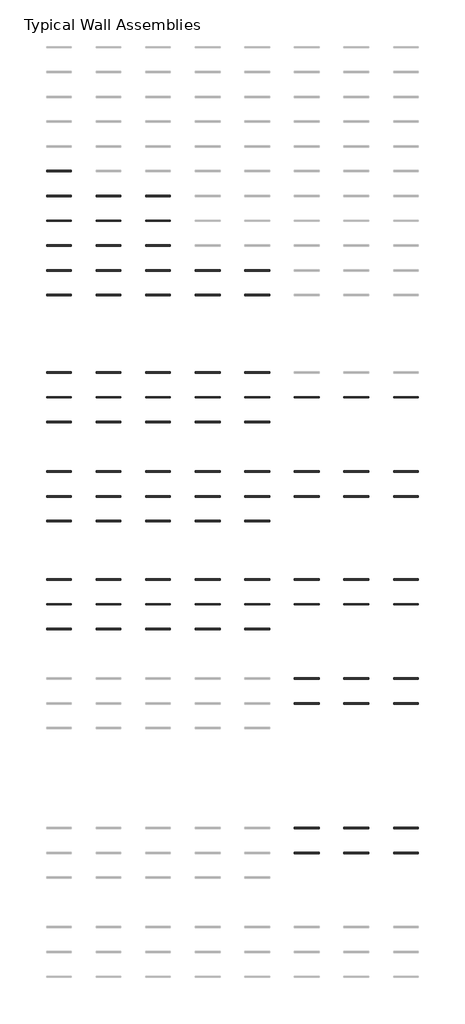
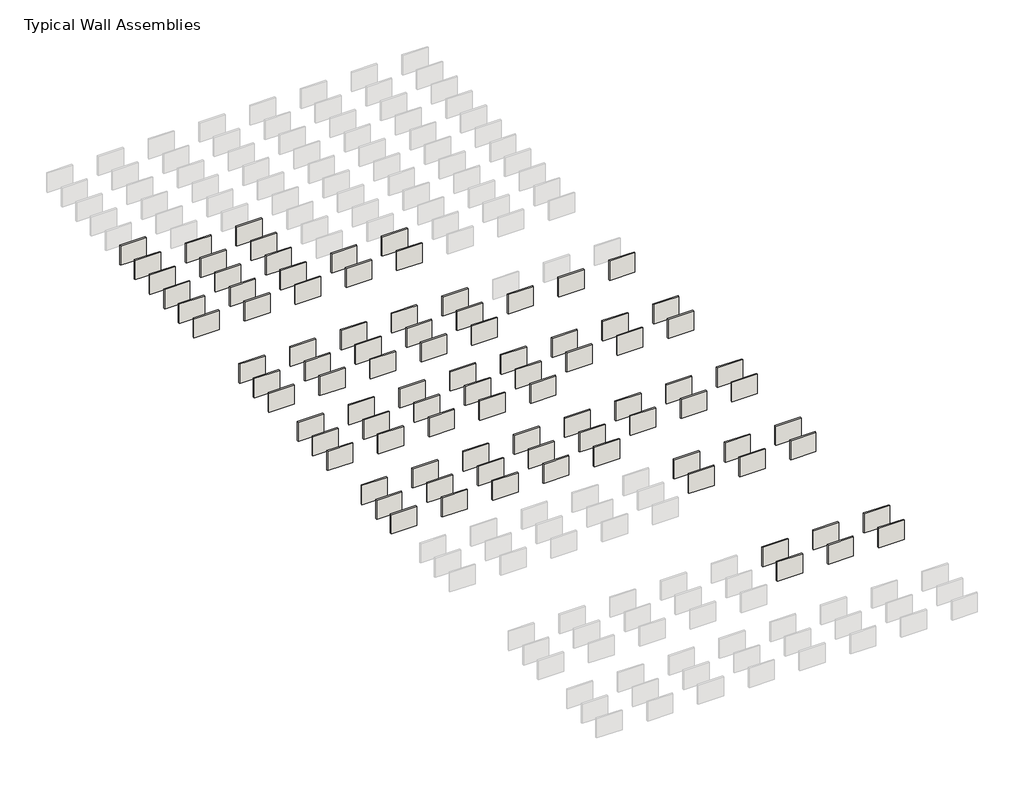
# One storey, part 6 of 8: 92 walls.
"""IFC4 building model written with IfcOpenShell, lengths in millimetres."""

from ifc_helpers import new_model, si_unit, frame, origin, place, context, project, spatial, polyline, outline, extrude, element, save

model = new_model("IFC4")

# Units and contexts
model_context = context("Model", 3, world=origin())
ifc_project = project(units=[si_unit("LENGTHUNIT", "METRE", prefix="MILLI")], contexts=[model_context])

# Site, building, storey
site = spatial("IfcSite", under=ifc_project)
building = spatial("IfcBuilding", under=site)
storey = spatial("IfcBuildingStorey", under=building, Name="Typical Wall Assemblies", Elevation=6096.0)

# Walls
placement = place(None, origin())
element("IfcWall", 1, at=placement, inside=storey, context=model_context, shape_type="SweptSolid", body=[
    extrude(outline(polyline([(3356.874931, -62733.9091546), (308.874931, -62733.9091546), (308.874931, -62556.1218505), (3356.874931, -62556.1218505), (3356.874931, -62733.9091546)])), frame((0.0, 0.0, 6096.0), z_axis=(0.0, 0.0, 1.0), x_axis=(1.0, 0.0, 0.0)), (0.0, 0.0, 1.0), 2438.4),
])
element("IfcWall", 2, at=placement, inside=storey, context=model_context, shape_type="SweptSolid", body=[
    extrude(outline(polyline([(9452.874931, -62733.9091546), (6404.874931, -62733.9091546), (6404.874931, -62556.1218505), (9452.874931, -62556.1218505), (9452.874931, -62733.9091546)])), frame((0.0, 0.0, 6096.0), z_axis=(0.0, 0.0, 1.0), x_axis=(1.0, 0.0, 0.0)), (0.0, 0.0, 1.0), 2438.4),
])
element("IfcWall", 3, at=placement, inside=storey, context=model_context, shape_type="SweptSolid", body=[
    extrude(outline(polyline([(15548.874931, -62733.9091546), (12500.874931, -62733.9091546), (12500.874931, -62556.1218505), (15548.874931, -62556.1218505), (15548.874931, -62733.9091546)])), frame((0.0, 0.0, 6096.0), z_axis=(0.0, 0.0, 1.0), x_axis=(1.0, 0.0, 0.0)), (0.0, 0.0, 1.0), 2438.4),
])
element("IfcWall", 4, at=placement, inside=storey, context=model_context, shape_type="SweptSolid", body=[
    extrude(outline(polyline([(21644.874931, -62733.9091546), (18596.874931, -62733.9091546), (18596.874931, -62556.1218505), (21644.874931, -62556.1218505), (21644.874931, -62733.9091546)])), frame((0.0, 0.0, 6096.0), z_axis=(0.0, 0.0, 1.0), x_axis=(1.0, 0.0, 0.0)), (0.0, 0.0, 1.0), 2438.4),
])
element("IfcWall", 5, at=placement, inside=storey, context=model_context, shape_type="SweptSolid", body=[
    extrude(outline(polyline([(27740.874931, -62733.9091546), (24692.874931, -62733.9091546), (24692.874931, -62556.1218505), (27740.874931, -62556.1218505), (27740.874931, -62733.9091546)])), frame((0.0, 0.0, 6096.0), z_axis=(0.0, 0.0, 1.0), x_axis=(1.0, 0.0, 0.0)), (0.0, 0.0, 1.0), 2438.4),
])
element("IfcWall", 6, at=placement, inside=storey, context=model_context, shape_type="SweptSolid", body=[
    extrude(outline(polyline([(3356.874931, -65781.9091546), (308.874931, -65781.9091546), (308.874931, -65604.1218505), (3356.874931, -65604.1218505), (3356.874931, -65781.9091546)])), frame((0.0, 0.0, 6096.0), z_axis=(0.0, 0.0, 1.0), x_axis=(1.0, 0.0, 0.0)), (0.0, 0.0, 1.0), 2438.4),
])
element("IfcWall", 7, at=placement, inside=storey, context=model_context, shape_type="SweptSolid", body=[
    extrude(outline(polyline([(9452.874931, -65781.9091546), (6404.874931, -65781.9091546), (6404.874931, -65604.1218505), (9452.874931, -65604.1218505), (9452.874931, -65781.9091546)])), frame((0.0, 0.0, 6096.0), z_axis=(0.0, 0.0, 1.0), x_axis=(1.0, 0.0, 0.0)), (0.0, 0.0, 1.0), 2438.4),
])
element("IfcWall", 8, at=placement, inside=storey, context=model_context, shape_type="SweptSolid", body=[
    extrude(outline(polyline([(15548.874931, -65781.9091546), (12500.874931, -65781.9091546), (12500.874931, -65604.1218505), (15548.874931, -65604.1218505), (15548.874931, -65781.9091546)])), frame((0.0, 0.0, 6096.0), z_axis=(0.0, 0.0, 1.0), x_axis=(1.0, 0.0, 0.0)), (0.0, 0.0, 1.0), 2438.4),
])
element("IfcWall", 9, at=placement, inside=storey, context=model_context, shape_type="SweptSolid", body=[
    extrude(outline(polyline([(21644.874931, -65781.9091546), (18596.874931, -65781.9091546), (18596.874931, -65604.1218505), (21644.874931, -65604.1218505), (21644.874931, -65781.9091546)])), frame((0.0, 0.0, 6096.0), z_axis=(0.0, 0.0, 1.0), x_axis=(1.0, 0.0, 0.0)), (0.0, 0.0, 1.0), 2438.4),
])
element("IfcWall", 10, at=placement, inside=storey, context=model_context, shape_type="SweptSolid", body=[
    extrude(outline(polyline([(27740.874931, -65781.9091546), (24692.874931, -65781.9091546), (24692.874931, -65604.1218505), (27740.874931, -65604.1218505), (27740.874931, -65781.9091546)])), frame((0.0, 0.0, 6096.0), z_axis=(0.0, 0.0, 1.0), x_axis=(1.0, 0.0, 0.0)), (0.0, 0.0, 1.0), 2438.4),
])
element("IfcWall", 11, at=placement, inside=storey, context=model_context, shape_type="SweptSolid", body=[
    extrude(outline(polyline([(33836.874931, -65781.9091546), (30788.874931, -65781.9091546), (30788.874931, -65604.1218505), (33836.874931, -65604.1218505), (33836.874931, -65781.9091546)])), frame((0.0, 0.0, 6096.0), z_axis=(0.0, 0.0, 1.0), x_axis=(1.0, 0.0, 0.0)), (0.0, 0.0, 1.0), 2438.4),
])
element("IfcWall", 12, at=placement, inside=storey, context=model_context, shape_type="SweptSolid", body=[
    extrude(outline(polyline([(39932.874931, -65781.9091546), (36884.874931, -65781.9091546), (36884.874931, -65604.1218505), (39932.874931, -65604.1218505), (39932.874931, -65781.9091546)])), frame((0.0, 0.0, 6096.0), z_axis=(0.0, 0.0, 1.0), x_axis=(1.0, 0.0, 0.0)), (0.0, 0.0, 1.0), 2438.4),
])
element("IfcWall", 13, at=placement, inside=storey, context=model_context, shape_type="SweptSolid", body=[
    extrude(outline(polyline([(46028.874931, -65781.9091546), (42980.874931, -65781.9091546), (42980.874931, -65604.1218505), (46028.874931, -65604.1218505), (46028.874931, -65781.9091546)])), frame((0.0, 0.0, 6096.0), z_axis=(0.0, 0.0, 1.0), x_axis=(1.0, 0.0, 0.0)), (0.0, 0.0, 1.0), 2438.4),
])
element("IfcWall", 14, at=placement, inside=storey, context=model_context, shape_type="SweptSolid", body=[
    extrude(outline(polyline([(3356.874931, -68829.9091546), (308.874931, -68829.9091546), (308.874931, -68652.1218505), (3356.874931, -68652.1218505), (3356.874931, -68829.9091546)])), frame((0.0, 0.0, 6096.0), z_axis=(0.0, 0.0, 1.0), x_axis=(1.0, 0.0, 0.0)), (0.0, 0.0, 1.0), 2438.4),
])
element("IfcWall", 15, at=placement, inside=storey, context=model_context, shape_type="SweptSolid", body=[
    extrude(outline(polyline([(9452.874931, -68829.9091546), (6404.874931, -68829.9091546), (6404.874931, -68652.1218505), (9452.874931, -68652.1218505), (9452.874931, -68829.9091546)])), frame((0.0, 0.0, 6096.0), z_axis=(0.0, 0.0, 1.0), x_axis=(1.0, 0.0, 0.0)), (0.0, 0.0, 1.0), 2438.4),
])
element("IfcWall", 16, at=placement, inside=storey, context=model_context, shape_type="SweptSolid", body=[
    extrude(outline(polyline([(15548.874931, -68829.9091546), (12500.874931, -68829.9091546), (12500.874931, -68652.1218505), (15548.874931, -68652.1218505), (15548.874931, -68829.9091546)])), frame((0.0, 0.0, 6096.0), z_axis=(0.0, 0.0, 1.0), x_axis=(1.0, 0.0, 0.0)), (0.0, 0.0, 1.0), 2438.4),
])
element("IfcWall", 17, at=placement, inside=storey, context=model_context, shape_type="SweptSolid", body=[
    extrude(outline(polyline([(21644.874931, -68829.9091546), (18596.874931, -68829.9091546), (18596.874931, -68652.1218505), (21644.874931, -68652.1218505), (21644.874931, -68829.9091546)])), frame((0.0, 0.0, 6096.0), z_axis=(0.0, 0.0, 1.0), x_axis=(1.0, 0.0, 0.0)), (0.0, 0.0, 1.0), 2438.4),
])
element("IfcWall", 18, at=placement, inside=storey, context=model_context, shape_type="SweptSolid", body=[
    extrude(outline(polyline([(27740.874931, -68829.9091546), (24692.874931, -68829.9091546), (24692.874931, -68652.1218505), (27740.874931, -68652.1218505), (27740.874931, -68829.9091546)])), frame((0.0, 0.0, 6096.0), z_axis=(0.0, 0.0, 1.0), x_axis=(1.0, 0.0, 0.0)), (0.0, 0.0, 1.0), 2438.4),
])
element("IfcWall", 19, at=placement, inside=storey, context=model_context, shape_type="SweptSolid", body=[
    extrude(outline(polyline([(3356.874931, -74925.9091546), (308.874931, -74925.9091546), (308.874931, -74748.1218505), (3356.874931, -74748.1218505), (3356.874931, -74925.9091546)])), frame((0.0, 0.0, 6096.0), z_axis=(0.0, 0.0, 1.0), x_axis=(1.0, 0.0, 0.0)), (0.0, 0.0, 1.0), 2438.4),
])
element("IfcWall", 20, at=placement, inside=storey, context=model_context, shape_type="SweptSolid", body=[
    extrude(outline(polyline([(9452.874931, -74925.9091546), (6404.874931, -74925.9091546), (6404.874931, -74748.1218505), (9452.874931, -74748.1218505), (9452.874931, -74925.9091546)])), frame((0.0, 0.0, 6096.0), z_axis=(0.0, 0.0, 1.0), x_axis=(1.0, 0.0, 0.0)), (0.0, 0.0, 1.0), 2438.4),
])
element("IfcWall", 21, at=placement, inside=storey, context=model_context, shape_type="SweptSolid", body=[
    extrude(outline(polyline([(15548.874931, -74925.9091546), (12500.874931, -74925.9091546), (12500.874931, -74748.1218505), (15548.874931, -74748.1218505), (15548.874931, -74925.9091546)])), frame((0.0, 0.0, 6096.0), z_axis=(0.0, 0.0, 1.0), x_axis=(1.0, 0.0, 0.0)), (0.0, 0.0, 1.0), 2438.4),
])
element("IfcWall", 22, at=placement, inside=storey, context=model_context, shape_type="SweptSolid", body=[
    extrude(outline(polyline([(21644.874931, -74925.9091546), (18596.874931, -74925.9091546), (18596.874931, -74748.1218505), (21644.874931, -74748.1218505), (21644.874931, -74925.9091546)])), frame((0.0, 0.0, 6096.0), z_axis=(0.0, 0.0, 1.0), x_axis=(1.0, 0.0, 0.0)), (0.0, 0.0, 1.0), 2438.4),
])
element("IfcWall", 23, at=placement, inside=storey, context=model_context, shape_type="SweptSolid", body=[
    extrude(outline(polyline([(27740.874931, -74925.9091546), (24692.874931, -74925.9091546), (24692.874931, -74748.1218505), (27740.874931, -74748.1218505), (27740.874931, -74925.9091546)])), frame((0.0, 0.0, 6096.0), z_axis=(0.0, 0.0, 1.0), x_axis=(1.0, 0.0, 0.0)), (0.0, 0.0, 1.0), 2438.4),
])
element("IfcWall", 24, at=placement, inside=storey, context=model_context, shape_type="SweptSolid", body=[
    extrude(outline(polyline([(33836.874931, -74925.9091546), (30788.874931, -74925.9091546), (30788.874931, -74748.1218505), (33836.874931, -74748.1218505), (33836.874931, -74925.9091546)])), frame((0.0, 0.0, 6096.0), z_axis=(0.0, 0.0, 1.0), x_axis=(1.0, 0.0, 0.0)), (0.0, 0.0, 1.0), 2438.4),
])
element("IfcWall", 25, at=placement, inside=storey, context=model_context, shape_type="SweptSolid", body=[
    extrude(outline(polyline([(39932.874931, -74925.9091546), (36884.874931, -74925.9091546), (36884.874931, -74748.1218505), (39932.874931, -74748.1218505), (39932.874931, -74925.9091546)])), frame((0.0, 0.0, 6096.0), z_axis=(0.0, 0.0, 1.0), x_axis=(1.0, 0.0, 0.0)), (0.0, 0.0, 1.0), 2438.4),
])
element("IfcWall", 26, at=placement, inside=storey, context=model_context, shape_type="SweptSolid", body=[
    extrude(outline(polyline([(46028.874931, -74925.9091546), (42980.874931, -74925.9091546), (42980.874931, -74748.1218505), (46028.874931, -74748.1218505), (46028.874931, -74925.9091546)])), frame((0.0, 0.0, 6096.0), z_axis=(0.0, 0.0, 1.0), x_axis=(1.0, 0.0, 0.0)), (0.0, 0.0, 1.0), 2438.4),
])
element("IfcWall", 27, at=placement, inside=storey, context=model_context, shape_type="SweptSolid", body=[
    extrude(outline(polyline([(3356.874931, -77973.9091546), (308.874931, -77973.9091546), (308.874931, -77796.1218505), (3356.874931, -77796.1218505), (3356.874931, -77973.9091546)])), frame((0.0, 0.0, 6096.0), z_axis=(0.0, 0.0, 1.0), x_axis=(1.0, 0.0, 0.0)), (0.0, 0.0, 1.0), 2438.4),
])
element("IfcWall", 28, at=placement, inside=storey, context=model_context, shape_type="SweptSolid", body=[
    extrude(outline(polyline([(9452.874931, -77973.9091546), (6404.874931, -77973.9091546), (6404.874931, -77796.1218505), (9452.874931, -77796.1218505), (9452.874931, -77973.9091546)])), frame((0.0, 0.0, 6096.0), z_axis=(0.0, 0.0, 1.0), x_axis=(1.0, 0.0, 0.0)), (0.0, 0.0, 1.0), 2438.4),
])
element("IfcWall", 29, at=placement, inside=storey, context=model_context, shape_type="SweptSolid", body=[
    extrude(outline(polyline([(15548.874931, -77973.9091546), (12500.874931, -77973.9091546), (12500.874931, -77796.1218505), (15548.874931, -77796.1218505), (15548.874931, -77973.9091546)])), frame((0.0, 0.0, 6096.0), z_axis=(0.0, 0.0, 1.0), x_axis=(1.0, 0.0, 0.0)), (0.0, 0.0, 1.0), 2438.4),
])
element("IfcWall", 30, at=placement, inside=storey, context=model_context, shape_type="SweptSolid", body=[
    extrude(outline(polyline([(21644.874931, -77973.9091546), (18596.874931, -77973.9091546), (18596.874931, -77796.1218505), (21644.874931, -77796.1218505), (21644.874931, -77973.9091546)])), frame((0.0, 0.0, 6096.0), z_axis=(0.0, 0.0, 1.0), x_axis=(1.0, 0.0, 0.0)), (0.0, 0.0, 1.0), 2438.4),
])
element("IfcWall", 31, at=placement, inside=storey, context=model_context, shape_type="SweptSolid", body=[
    extrude(outline(polyline([(27740.874931, -77973.9091546), (24692.874931, -77973.9091546), (24692.874931, -77796.1218505), (27740.874931, -77796.1218505), (27740.874931, -77973.9091546)])), frame((0.0, 0.0, 6096.0), z_axis=(0.0, 0.0, 1.0), x_axis=(1.0, 0.0, 0.0)), (0.0, 0.0, 1.0), 2438.4),
])
element("IfcWall", 32, at=placement, inside=storey, context=model_context, shape_type="SweptSolid", body=[
    extrude(outline(polyline([(33836.874931, -77973.9091546), (30788.874931, -77973.9091546), (30788.874931, -77796.1218505), (33836.874931, -77796.1218505), (33836.874931, -77973.9091546)])), frame((0.0, 0.0, 6096.0), z_axis=(0.0, 0.0, 1.0), x_axis=(1.0, 0.0, 0.0)), (0.0, 0.0, 1.0), 2438.4),
])
element("IfcWall", 33, at=placement, inside=storey, context=model_context, shape_type="SweptSolid", body=[
    extrude(outline(polyline([(39932.874931, -77973.9091546), (36884.874931, -77973.9091546), (36884.874931, -77796.1218505), (39932.874931, -77796.1218505), (39932.874931, -77973.9091546)])), frame((0.0, 0.0, 6096.0), z_axis=(0.0, 0.0, 1.0), x_axis=(1.0, 0.0, 0.0)), (0.0, 0.0, 1.0), 2438.4),
])
element("IfcWall", 34, at=placement, inside=storey, context=model_context, shape_type="SweptSolid", body=[
    extrude(outline(polyline([(46028.874931, -77973.9091546), (42980.874931, -77973.9091546), (42980.874931, -77796.1218505), (46028.874931, -77796.1218505), (46028.874931, -77973.9091546)])), frame((0.0, 0.0, 6096.0), z_axis=(0.0, 0.0, 1.0), x_axis=(1.0, 0.0, 0.0)), (0.0, 0.0, 1.0), 2438.4),
])
element("IfcWall", 35, at=placement, inside=storey, context=model_context, shape_type="SweptSolid", body=[
    extrude(outline(polyline([(3356.874931, -81021.9091546), (308.874931, -81021.9091546), (308.874931, -80844.1218505), (3356.874931, -80844.1218505), (3356.874931, -81021.9091546)])), frame((0.0, 0.0, 6096.0), z_axis=(0.0, 0.0, 1.0), x_axis=(1.0, 0.0, 0.0)), (0.0, 0.0, 1.0), 2438.4),
])
element("IfcWall", 36, at=placement, inside=storey, context=model_context, shape_type="SweptSolid", body=[
    extrude(outline(polyline([(9452.874931, -81021.9091546), (6404.874931, -81021.9091546), (6404.874931, -80844.1218505), (9452.874931, -80844.1218505), (9452.874931, -81021.9091546)])), frame((0.0, 0.0, 6096.0), z_axis=(0.0, 0.0, 1.0), x_axis=(1.0, 0.0, 0.0)), (0.0, 0.0, 1.0), 2438.4),
])
element("IfcWall", 37, at=placement, inside=storey, context=model_context, shape_type="SweptSolid", body=[
    extrude(outline(polyline([(15548.874931, -81021.9091546), (12500.874931, -81021.9091546), (12500.874931, -80844.1218505), (15548.874931, -80844.1218505), (15548.874931, -81021.9091546)])), frame((0.0, 0.0, 6096.0), z_axis=(0.0, 0.0, 1.0), x_axis=(1.0, 0.0, 0.0)), (0.0, 0.0, 1.0), 2438.4),
])
element("IfcWall", 38, at=placement, inside=storey, context=model_context, shape_type="SweptSolid", body=[
    extrude(outline(polyline([(21644.874931, -81021.9091546), (18596.874931, -81021.9091546), (18596.874931, -80844.1218505), (21644.874931, -80844.1218505), (21644.874931, -81021.9091546)])), frame((0.0, 0.0, 6096.0), z_axis=(0.0, 0.0, 1.0), x_axis=(1.0, 0.0, 0.0)), (0.0, 0.0, 1.0), 2438.4),
])
element("IfcWall", 39, at=placement, inside=storey, context=model_context, shape_type="SweptSolid", body=[
    extrude(outline(polyline([(27740.874931, -81021.9091546), (24692.874931, -81021.9091546), (24692.874931, -80844.1218505), (27740.874931, -80844.1218505), (27740.874931, -81021.9091546)])), frame((0.0, 0.0, 6096.0), z_axis=(0.0, 0.0, 1.0), x_axis=(1.0, 0.0, 0.0)), (0.0, 0.0, 1.0), 2438.4),
])
element("IfcWall", 40, at=placement, inside=storey, context=model_context, shape_type="SweptSolid", body=[
    extrude(outline(polyline([(33836.874931, -118750.4405032), (30788.874931, -118750.4405032), (30788.874931, -118574.2279991), (33836.874931, -118574.2279991), (33836.874931, -118750.4405032)])), frame((0.0, 0.0, 6096.0), z_axis=(0.0, 0.0, 1.0), x_axis=(1.0, 0.0, 0.0)), (0.0, 0.0, 1.0), 2438.4),
])
element("IfcWall", 41, at=placement, inside=storey, context=model_context, shape_type="SweptSolid", body=[
    extrude(outline(polyline([(39932.874931, -118750.4405032), (36884.874931, -118750.4405032), (36884.874931, -118574.2279991), (39932.874931, -118574.2279991), (39932.874931, -118750.4405032)])), frame((0.0, 0.0, 6096.0), z_axis=(0.0, 0.0, 1.0), x_axis=(1.0, 0.0, 0.0)), (0.0, 0.0, 1.0), 2438.4),
])
element("IfcWall", 42, at=placement, inside=storey, context=model_context, shape_type="SweptSolid", body=[
    extrude(outline(polyline([(46028.874931, -118750.4405032), (42980.874931, -118750.4405032), (42980.874931, -118574.2279991), (46028.874931, -118574.2279991), (46028.874931, -118750.4405032)])), frame((0.0, 0.0, 6096.0), z_axis=(0.0, 0.0, 1.0), x_axis=(1.0, 0.0, 0.0)), (0.0, 0.0, 1.0), 2438.4),
])
element("IfcWall", 43, at=placement, inside=storey, context=model_context, shape_type="SweptSolid", body=[
    extrude(outline(polyline([(33836.874931, -121798.4405032), (30788.874931, -121798.4405032), (30788.874931, -121622.2279991), (33836.874931, -121622.2279991), (33836.874931, -121798.4405032)])), frame((0.0, 0.0, 6096.0), z_axis=(0.0, 0.0, 1.0), x_axis=(1.0, 0.0, 0.0)), (0.0, 0.0, 1.0), 2438.4),
])
element("IfcWall", 44, at=placement, inside=storey, context=model_context, shape_type="SweptSolid", body=[
    extrude(outline(polyline([(39932.874931, -121798.4405032), (36884.874931, -121798.4405032), (36884.874931, -121622.2279991), (39932.874931, -121622.2279991), (39932.874931, -121798.4405032)])), frame((0.0, 0.0, 6096.0), z_axis=(0.0, 0.0, 1.0), x_axis=(1.0, 0.0, 0.0)), (0.0, 0.0, 1.0), 2438.4),
])
element("IfcWall", 45, at=placement, inside=storey, context=model_context, shape_type="SweptSolid", body=[
    extrude(outline(polyline([(46028.874931, -121798.4405032), (42980.874931, -121798.4405032), (42980.874931, -121622.2279991), (46028.874931, -121622.2279991), (46028.874931, -121798.4405032)])), frame((0.0, 0.0, 6096.0), z_axis=(0.0, 0.0, 1.0), x_axis=(1.0, 0.0, 0.0)), (0.0, 0.0, 1.0), 2438.4),
])
element("IfcWall", 46, at=placement, inside=storey, context=model_context, shape_type="SweptSolid", body=[
    extrude(outline(polyline([(3356.874931, -37983.446361), (308.874931, -37983.446361), (308.874931, -37805.6590569), (3356.874931, -37805.6590569), (3356.874931, -37983.446361)])), frame((0.0, 0.0, 6096.0), z_axis=(0.0, 0.0, 1.0), x_axis=(1.0, 0.0, 0.0)), (0.0, 0.0, 1.0), 2438.4),
])
element("IfcWall", 47, at=placement, inside=storey, context=model_context, shape_type="SweptSolid", body=[
    extrude(outline(polyline([(3356.874931, -41031.446361), (308.874931, -41031.446361), (308.874931, -40853.6590569), (3356.874931, -40853.6590569), (3356.874931, -41031.446361)])), frame((0.0, 0.0, 6096.0), z_axis=(0.0, 0.0, 1.0), x_axis=(1.0, 0.0, 0.0)), (0.0, 0.0, 1.0), 2438.4),
])
element("IfcWall", 48, at=placement, inside=storey, context=model_context, shape_type="SweptSolid", body=[
    extrude(outline(polyline([(9452.874931, -41031.446361), (6404.874931, -41031.446361), (6404.874931, -40853.6590569), (9452.874931, -40853.6590569), (9452.874931, -41031.446361)])), frame((0.0, 0.0, 6096.0), z_axis=(0.0, 0.0, 1.0), x_axis=(1.0, 0.0, 0.0)), (0.0, 0.0, 1.0), 2438.4),
])
element("IfcWall", 49, at=placement, inside=storey, context=model_context, shape_type="SweptSolid", body=[
    extrude(outline(polyline([(15548.874931, -41031.446361), (12500.874931, -41031.446361), (12500.874931, -40853.6590569), (15548.874931, -40853.6590569), (15548.874931, -41031.446361)])), frame((0.0, 0.0, 6096.0), z_axis=(0.0, 0.0, 1.0), x_axis=(1.0, 0.0, 0.0)), (0.0, 0.0, 1.0), 2438.4),
])
element("IfcWall", 50, at=placement, inside=storey, context=model_context, shape_type="SweptSolid", body=[
    extrude(outline(polyline([(3356.874931, -44079.446361), (308.874931, -44079.446361), (308.874931, -43901.6590569), (3356.874931, -43901.6590569), (3356.874931, -44079.446361)])), frame((0.0, 0.0, 6096.0), z_axis=(0.0, 0.0, 1.0), x_axis=(1.0, 0.0, 0.0)), (0.0, 0.0, 1.0), 2438.4),
])
element("IfcWall", 51, at=placement, inside=storey, context=model_context, shape_type="SweptSolid", body=[
    extrude(outline(polyline([(9452.874931, -44079.446361), (6404.874931, -44079.446361), (6404.874931, -43901.6590569), (9452.874931, -43901.6590569), (9452.874931, -44079.446361)])), frame((0.0, 0.0, 6096.0), z_axis=(0.0, 0.0, 1.0), x_axis=(1.0, 0.0, 0.0)), (0.0, 0.0, 1.0), 2438.4),
])
element("IfcWall", 52, at=placement, inside=storey, context=model_context, shape_type="SweptSolid", body=[
    extrude(outline(polyline([(15548.874931, -44079.446361), (12500.874931, -44079.446361), (12500.874931, -43901.6590569), (15548.874931, -43901.6590569), (15548.874931, -44079.446361)])), frame((0.0, 0.0, 6096.0), z_axis=(0.0, 0.0, 1.0), x_axis=(1.0, 0.0, 0.0)), (0.0, 0.0, 1.0), 2438.4),
])
element("IfcWall", 53, at=placement, inside=storey, context=model_context, shape_type="SweptSolid", body=[
    extrude(outline(polyline([(3356.874931, -47127.446361), (308.874931, -47127.446361), (308.874931, -46949.6590569), (3356.874931, -46949.6590569), (3356.874931, -47127.446361)])), frame((0.0, 0.0, 6096.0), z_axis=(0.0, 0.0, 1.0), x_axis=(1.0, 0.0, 0.0)), (0.0, 0.0, 1.0), 2438.4),
])
element("IfcWall", 54, at=placement, inside=storey, context=model_context, shape_type="SweptSolid", body=[
    extrude(outline(polyline([(9452.874931, -47127.446361), (6404.874931, -47127.446361), (6404.874931, -46949.6590569), (9452.874931, -46949.6590569), (9452.874931, -47127.446361)])), frame((0.0, 0.0, 6096.0), z_axis=(0.0, 0.0, 1.0), x_axis=(1.0, 0.0, 0.0)), (0.0, 0.0, 1.0), 2438.4),
])
element("IfcWall", 55, at=placement, inside=storey, context=model_context, shape_type="SweptSolid", body=[
    extrude(outline(polyline([(15548.874931, -47127.446361), (12500.874931, -47127.446361), (12500.874931, -46949.6590569), (15548.874931, -46949.6590569), (15548.874931, -47127.446361)])), frame((0.0, 0.0, 6096.0), z_axis=(0.0, 0.0, 1.0), x_axis=(1.0, 0.0, 0.0)), (0.0, 0.0, 1.0), 2438.4),
])
element("IfcWall", 56, at=placement, inside=storey, context=model_context, shape_type="SweptSolid", body=[
    extrude(outline(polyline([(3356.874931, -50175.446361), (308.874931, -50175.446361), (308.874931, -49997.6590569), (3356.874931, -49997.6590569), (3356.874931, -50175.446361)])), frame((0.0, 0.0, 6096.0), z_axis=(0.0, 0.0, 1.0), x_axis=(1.0, 0.0, 0.0)), (0.0, 0.0, 1.0), 2438.4),
])
element("IfcWall", 57, at=placement, inside=storey, context=model_context, shape_type="SweptSolid", body=[
    extrude(outline(polyline([(9452.874931, -50175.446361), (6404.874931, -50175.446361), (6404.874931, -49997.6590569), (9452.874931, -49997.6590569), (9452.874931, -50175.446361)])), frame((0.0, 0.0, 6096.0), z_axis=(0.0, 0.0, 1.0), x_axis=(1.0, 0.0, 0.0)), (0.0, 0.0, 1.0), 2438.4),
])
element("IfcWall", 58, at=placement, inside=storey, context=model_context, shape_type="SweptSolid", body=[
    extrude(outline(polyline([(15548.874931, -50175.446361), (12500.874931, -50175.446361), (12500.874931, -49997.6590569), (15548.874931, -49997.6590569), (15548.874931, -50175.446361)])), frame((0.0, 0.0, 6096.0), z_axis=(0.0, 0.0, 1.0), x_axis=(1.0, 0.0, 0.0)), (0.0, 0.0, 1.0), 2438.4),
])
element("IfcWall", 59, at=placement, inside=storey, context=model_context, shape_type="SweptSolid", body=[
    extrude(outline(polyline([(21644.874931, -50175.446361), (18596.874931, -50175.446361), (18596.874931, -49997.6590569), (21644.874931, -49997.6590569), (21644.874931, -50175.446361)])), frame((0.0, 0.0, 6096.0), z_axis=(0.0, 0.0, 1.0), x_axis=(1.0, 0.0, 0.0)), (0.0, 0.0, 1.0), 2438.4),
])
element("IfcWall", 60, at=placement, inside=storey, context=model_context, shape_type="SweptSolid", body=[
    extrude(outline(polyline([(27740.874931, -50175.446361), (24692.874931, -50175.446361), (24692.874931, -49997.6590569), (27740.874931, -49997.6590569), (27740.874931, -50175.446361)])), frame((0.0, 0.0, 6096.0), z_axis=(0.0, 0.0, 1.0), x_axis=(1.0, 0.0, 0.0)), (0.0, 0.0, 1.0), 2438.4),
])
element("IfcWall", 61, at=placement, inside=storey, context=model_context, shape_type="SweptSolid", body=[
    extrude(outline(polyline([(3356.874931, -53223.446361), (308.874931, -53223.446361), (308.874931, -53045.6590569), (3356.874931, -53045.6590569), (3356.874931, -53223.446361)])), frame((0.0, 0.0, 6096.0), z_axis=(0.0, 0.0, 1.0), x_axis=(1.0, 0.0, 0.0)), (0.0, 0.0, 1.0), 2438.4),
])
element("IfcWall", 62, at=placement, inside=storey, context=model_context, shape_type="SweptSolid", body=[
    extrude(outline(polyline([(9452.874931, -53223.446361), (6404.874931, -53223.446361), (6404.874931, -53045.6590569), (9452.874931, -53045.6590569), (9452.874931, -53223.446361)])), frame((0.0, 0.0, 6096.0), z_axis=(0.0, 0.0, 1.0), x_axis=(1.0, 0.0, 0.0)), (0.0, 0.0, 1.0), 2438.4),
])
element("IfcWall", 63, at=placement, inside=storey, context=model_context, shape_type="SweptSolid", body=[
    extrude(outline(polyline([(15548.874931, -53223.446361), (12500.874931, -53223.446361), (12500.874931, -53045.6590569), (15548.874931, -53045.6590569), (15548.874931, -53223.446361)])), frame((0.0, 0.0, 6096.0), z_axis=(0.0, 0.0, 1.0), x_axis=(1.0, 0.0, 0.0)), (0.0, 0.0, 1.0), 2438.4),
])
element("IfcWall", 64, at=placement, inside=storey, context=model_context, shape_type="SweptSolid", body=[
    extrude(outline(polyline([(21644.874931, -53223.446361), (18596.874931, -53223.446361), (18596.874931, -53045.6590569), (21644.874931, -53045.6590569), (21644.874931, -53223.446361)])), frame((0.0, 0.0, 6096.0), z_axis=(0.0, 0.0, 1.0), x_axis=(1.0, 0.0, 0.0)), (0.0, 0.0, 1.0), 2438.4),
])
element("IfcWall", 65, at=placement, inside=storey, context=model_context, shape_type="SweptSolid", body=[
    extrude(outline(polyline([(27740.874931, -53223.446361), (24692.874931, -53223.446361), (24692.874931, -53045.6590569), (27740.874931, -53045.6590569), (27740.874931, -53223.446361)])), frame((0.0, 0.0, 6096.0), z_axis=(0.0, 0.0, 1.0), x_axis=(1.0, 0.0, 0.0)), (0.0, 0.0, 1.0), 2438.4),
])
element("IfcWall", 66, at=placement, inside=storey, context=model_context, shape_type="SweptSolid", body=[
    extrude(outline(polyline([(3356.874931, -88184.7091546), (308.874931, -88184.7091546), (308.874931, -88006.9218505), (3356.874931, -88006.9218505), (3356.874931, -88184.7091546)])), frame((0.0, 0.0, 6096.0), z_axis=(0.0, 0.0, 1.0), x_axis=(1.0, 0.0, 0.0)), (0.0, 0.0, 1.0), 2438.4),
])
element("IfcWall", 67, at=placement, inside=storey, context=model_context, shape_type="SweptSolid", body=[
    extrude(outline(polyline([(9452.874931, -88184.7091546), (6404.874931, -88184.7091546), (6404.874931, -88006.9218505), (9452.874931, -88006.9218505), (9452.874931, -88184.7091546)])), frame((0.0, 0.0, 6096.0), z_axis=(0.0, 0.0, 1.0), x_axis=(1.0, 0.0, 0.0)), (0.0, 0.0, 1.0), 2438.4),
])
element("IfcWall", 68, at=placement, inside=storey, context=model_context, shape_type="SweptSolid", body=[
    extrude(outline(polyline([(15548.874931, -88184.7091546), (12500.874931, -88184.7091546), (12500.874931, -88006.9218505), (15548.874931, -88006.9218505), (15548.874931, -88184.7091546)])), frame((0.0, 0.0, 6096.0), z_axis=(0.0, 0.0, 1.0), x_axis=(1.0, 0.0, 0.0)), (0.0, 0.0, 1.0), 2438.4),
])
element("IfcWall", 69, at=placement, inside=storey, context=model_context, shape_type="SweptSolid", body=[
    extrude(outline(polyline([(21644.874931, -88184.7091546), (18596.874931, -88184.7091546), (18596.874931, -88006.9218505), (21644.874931, -88006.9218505), (21644.874931, -88184.7091546)])), frame((0.0, 0.0, 6096.0), z_axis=(0.0, 0.0, 1.0), x_axis=(1.0, 0.0, 0.0)), (0.0, 0.0, 1.0), 2438.4),
])
element("IfcWall", 70, at=placement, inside=storey, context=model_context, shape_type="SweptSolid", body=[
    extrude(outline(polyline([(27740.874931, -88184.7091546), (24692.874931, -88184.7091546), (24692.874931, -88006.9218505), (27740.874931, -88006.9218505), (27740.874931, -88184.7091546)])), frame((0.0, 0.0, 6096.0), z_axis=(0.0, 0.0, 1.0), x_axis=(1.0, 0.0, 0.0)), (0.0, 0.0, 1.0), 2438.4),
])
element("IfcWall", 71, at=placement, inside=storey, context=model_context, shape_type="SweptSolid", body=[
    extrude(outline(polyline([(33836.874931, -88184.7091546), (30788.874931, -88184.7091546), (30788.874931, -88006.9218505), (33836.874931, -88006.9218505), (33836.874931, -88184.7091546)])), frame((0.0, 0.0, 6096.0), z_axis=(0.0, 0.0, 1.0), x_axis=(1.0, 0.0, 0.0)), (0.0, 0.0, 1.0), 2438.4),
])
element("IfcWall", 72, at=placement, inside=storey, context=model_context, shape_type="SweptSolid", body=[
    extrude(outline(polyline([(39932.874931, -88184.7091546), (36884.874931, -88184.7091546), (36884.874931, -88006.9218505), (39932.874931, -88006.9218505), (39932.874931, -88184.7091546)])), frame((0.0, 0.0, 6096.0), z_axis=(0.0, 0.0, 1.0), x_axis=(1.0, 0.0, 0.0)), (0.0, 0.0, 1.0), 2438.4),
])
element("IfcWall", 73, at=placement, inside=storey, context=model_context, shape_type="SweptSolid", body=[
    extrude(outline(polyline([(46028.874931, -88184.7091546), (42980.874931, -88184.7091546), (42980.874931, -88006.9218505), (46028.874931, -88006.9218505), (46028.874931, -88184.7091546)])), frame((0.0, 0.0, 6096.0), z_axis=(0.0, 0.0, 1.0), x_axis=(1.0, 0.0, 0.0)), (0.0, 0.0, 1.0), 2438.4),
])
element("IfcWall", 74, at=placement, inside=storey, context=model_context, shape_type="SweptSolid", body=[
    extrude(outline(polyline([(3356.874931, -91232.7091546), (308.874931, -91232.7091546), (308.874931, -91054.9218505), (3356.874931, -91054.9218505), (3356.874931, -91232.7091546)])), frame((0.0, 0.0, 6096.0), z_axis=(0.0, 0.0, 1.0), x_axis=(1.0, 0.0, 0.0)), (0.0, 0.0, 1.0), 2438.4),
])
element("IfcWall", 75, at=placement, inside=storey, context=model_context, shape_type="SweptSolid", body=[
    extrude(outline(polyline([(9452.874931, -91232.7091546), (6404.874931, -91232.7091546), (6404.874931, -91054.9218505), (9452.874931, -91054.9218505), (9452.874931, -91232.7091546)])), frame((0.0, 0.0, 6096.0), z_axis=(0.0, 0.0, 1.0), x_axis=(1.0, 0.0, 0.0)), (0.0, 0.0, 1.0), 2438.4),
])
element("IfcWall", 76, at=placement, inside=storey, context=model_context, shape_type="SweptSolid", body=[
    extrude(outline(polyline([(15548.874931, -91232.7091546), (12500.874931, -91232.7091546), (12500.874931, -91054.9218505), (15548.874931, -91054.9218505), (15548.874931, -91232.7091546)])), frame((0.0, 0.0, 6096.0), z_axis=(0.0, 0.0, 1.0), x_axis=(1.0, 0.0, 0.0)), (0.0, 0.0, 1.0), 2438.4),
])
element("IfcWall", 77, at=placement, inside=storey, context=model_context, shape_type="SweptSolid", body=[
    extrude(outline(polyline([(21644.874931, -91232.7091546), (18596.874931, -91232.7091546), (18596.874931, -91054.9218505), (21644.874931, -91054.9218505), (21644.874931, -91232.7091546)])), frame((0.0, 0.0, 6096.0), z_axis=(0.0, 0.0, 1.0), x_axis=(1.0, 0.0, 0.0)), (0.0, 0.0, 1.0), 2438.4),
])
element("IfcWall", 78, at=placement, inside=storey, context=model_context, shape_type="SweptSolid", body=[
    extrude(outline(polyline([(27740.874931, -91232.7091546), (24692.874931, -91232.7091546), (24692.874931, -91054.9218505), (27740.874931, -91054.9218505), (27740.874931, -91232.7091546)])), frame((0.0, 0.0, 6096.0), z_axis=(0.0, 0.0, 1.0), x_axis=(1.0, 0.0, 0.0)), (0.0, 0.0, 1.0), 2438.4),
])
element("IfcWall", 79, at=placement, inside=storey, context=model_context, shape_type="SweptSolid", body=[
    extrude(outline(polyline([(33836.874931, -91232.7091546), (30788.874931, -91232.7091546), (30788.874931, -91054.9218505), (33836.874931, -91054.9218505), (33836.874931, -91232.7091546)])), frame((0.0, 0.0, 6096.0), z_axis=(0.0, 0.0, 1.0), x_axis=(1.0, 0.0, 0.0)), (0.0, 0.0, 1.0), 2438.4),
])
element("IfcWall", 80, at=placement, inside=storey, context=model_context, shape_type="SweptSolid", body=[
    extrude(outline(polyline([(39932.874931, -91232.7091546), (36884.874931, -91232.7091546), (36884.874931, -91054.9218505), (39932.874931, -91054.9218505), (39932.874931, -91232.7091546)])), frame((0.0, 0.0, 6096.0), z_axis=(0.0, 0.0, 1.0), x_axis=(1.0, 0.0, 0.0)), (0.0, 0.0, 1.0), 2438.4),
])
element("IfcWall", 81, at=placement, inside=storey, context=model_context, shape_type="SweptSolid", body=[
    extrude(outline(polyline([(46028.874931, -91232.7091546), (42980.874931, -91232.7091546), (42980.874931, -91054.9218505), (46028.874931, -91054.9218505), (46028.874931, -91232.7091546)])), frame((0.0, 0.0, 6096.0), z_axis=(0.0, 0.0, 1.0), x_axis=(1.0, 0.0, 0.0)), (0.0, 0.0, 1.0), 2438.4),
])
element("IfcWall", 82, at=placement, inside=storey, context=model_context, shape_type="SweptSolid", body=[
    extrude(outline(polyline([(3356.874931, -94280.7091546), (308.874931, -94280.7091546), (308.874931, -94102.9218505), (3356.874931, -94102.9218505), (3356.874931, -94280.7091546)])), frame((0.0, 0.0, 6096.0), z_axis=(0.0, 0.0, 1.0), x_axis=(1.0, 0.0, 0.0)), (0.0, 0.0, 1.0), 2438.4),
])
element("IfcWall", 83, at=placement, inside=storey, context=model_context, shape_type="SweptSolid", body=[
    extrude(outline(polyline([(9452.874931, -94280.7091546), (6404.874931, -94280.7091546), (6404.874931, -94102.9218505), (9452.874931, -94102.9218505), (9452.874931, -94280.7091546)])), frame((0.0, 0.0, 6096.0), z_axis=(0.0, 0.0, 1.0), x_axis=(1.0, 0.0, 0.0)), (0.0, 0.0, 1.0), 2438.4),
])
element("IfcWall", 84, at=placement, inside=storey, context=model_context, shape_type="SweptSolid", body=[
    extrude(outline(polyline([(15548.874931, -94280.7091546), (12500.874931, -94280.7091546), (12500.874931, -94102.9218505), (15548.874931, -94102.9218505), (15548.874931, -94280.7091546)])), frame((0.0, 0.0, 6096.0), z_axis=(0.0, 0.0, 1.0), x_axis=(1.0, 0.0, 0.0)), (0.0, 0.0, 1.0), 2438.4),
])
element("IfcWall", 85, at=placement, inside=storey, context=model_context, shape_type="SweptSolid", body=[
    extrude(outline(polyline([(21644.874931, -94280.7091546), (18596.874931, -94280.7091546), (18596.874931, -94102.9218505), (21644.874931, -94102.9218505), (21644.874931, -94280.7091546)])), frame((0.0, 0.0, 6096.0), z_axis=(0.0, 0.0, 1.0), x_axis=(1.0, 0.0, 0.0)), (0.0, 0.0, 1.0), 2438.4),
])
element("IfcWall", 86, at=placement, inside=storey, context=model_context, shape_type="SweptSolid", body=[
    extrude(outline(polyline([(27740.874931, -94280.7091546), (24692.874931, -94280.7091546), (24692.874931, -94102.9218505), (27740.874931, -94102.9218505), (27740.874931, -94280.7091546)])), frame((0.0, 0.0, 6096.0), z_axis=(0.0, 0.0, 1.0), x_axis=(1.0, 0.0, 0.0)), (0.0, 0.0, 1.0), 2438.4),
])
element("IfcWall", 87, at=placement, inside=storey, context=model_context, shape_type="SweptSolid", body=[
    extrude(outline(polyline([(33836.874931, -100376.7091546), (30788.874931, -100376.7091546), (30788.874931, -100198.9218505), (33836.874931, -100198.9218505), (33836.874931, -100376.7091546)])), frame((0.0, 0.0, 6096.0), z_axis=(0.0, 0.0, 1.0), x_axis=(1.0, 0.0, 0.0)), (0.0, 0.0, 1.0), 2438.4),
])
element("IfcWall", 88, at=placement, inside=storey, context=model_context, shape_type="SweptSolid", body=[
    extrude(outline(polyline([(39932.874931, -100376.7091546), (36884.874931, -100376.7091546), (36884.874931, -100198.9218505), (39932.874931, -100198.9218505), (39932.874931, -100376.7091546)])), frame((0.0, 0.0, 6096.0), z_axis=(0.0, 0.0, 1.0), x_axis=(1.0, 0.0, 0.0)), (0.0, 0.0, 1.0), 2438.4),
])
element("IfcWall", 89, at=placement, inside=storey, context=model_context, shape_type="SweptSolid", body=[
    extrude(outline(polyline([(46028.874931, -100376.7091546), (42980.874931, -100376.7091546), (42980.874931, -100198.9218505), (46028.874931, -100198.9218505), (46028.874931, -100376.7091546)])), frame((0.0, 0.0, 6096.0), z_axis=(0.0, 0.0, 1.0), x_axis=(1.0, 0.0, 0.0)), (0.0, 0.0, 1.0), 2438.4),
])
element("IfcWall", 90, at=placement, inside=storey, context=model_context, shape_type="SweptSolid", body=[
    extrude(outline(polyline([(33836.874931, -103424.7091546), (30788.874931, -103424.7091546), (30788.874931, -103246.9218505), (33836.874931, -103246.9218505), (33836.874931, -103424.7091546)])), frame((0.0, 0.0, 6096.0), z_axis=(0.0, 0.0, 1.0), x_axis=(1.0, 0.0, 0.0)), (0.0, 0.0, 1.0), 2438.4),
])
element("IfcWall", 91, at=placement, inside=storey, context=model_context, shape_type="SweptSolid", body=[
    extrude(outline(polyline([(39932.874931, -103424.7091546), (36884.874931, -103424.7091546), (36884.874931, -103246.9218505), (39932.874931, -103246.9218505), (39932.874931, -103424.7091546)])), frame((0.0, 0.0, 6096.0), z_axis=(0.0, 0.0, 1.0), x_axis=(1.0, 0.0, 0.0)), (0.0, 0.0, 1.0), 2438.4),
])
element("IfcWall", 92, at=placement, inside=storey, context=model_context, shape_type="SweptSolid", body=[
    extrude(outline(polyline([(46028.874931, -103424.7091546), (42980.874931, -103424.7091546), (42980.874931, -103246.9218505), (46028.874931, -103246.9218505), (46028.874931, -103424.7091546)])), frame((0.0, 0.0, 6096.0), z_axis=(0.0, 0.0, 1.0), x_axis=(1.0, 0.0, 0.0)), (0.0, 0.0, 1.0), 2438.4),
])

save(model, "model.ifc")
